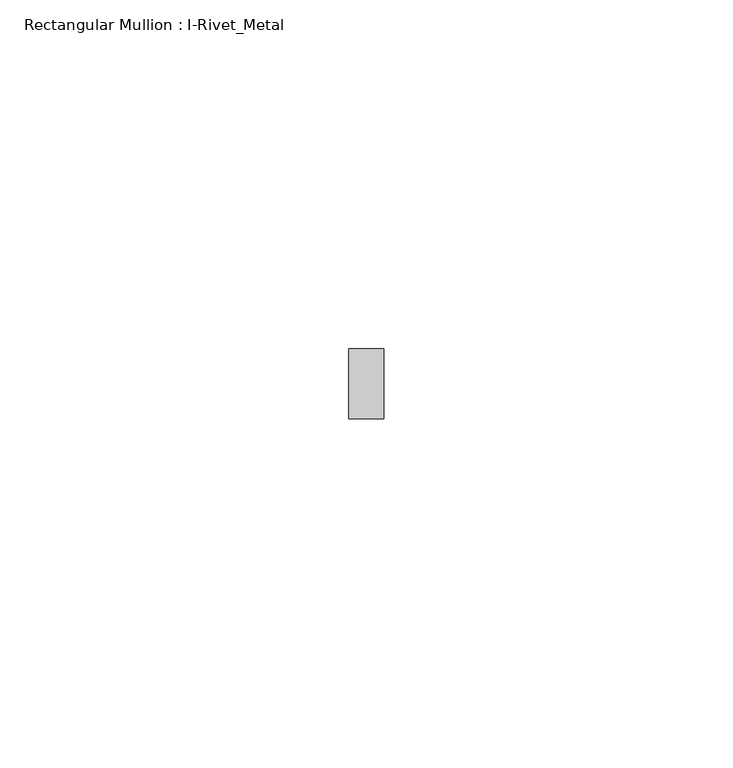
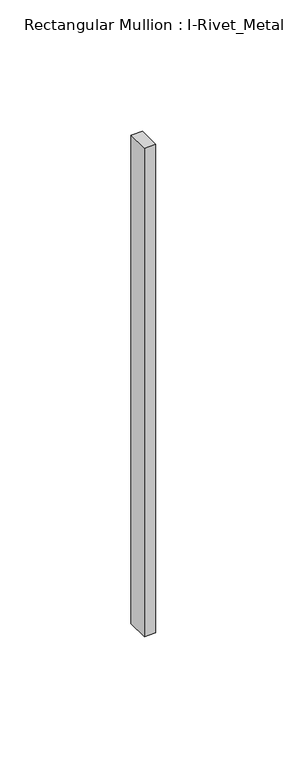
"""IFC4 building model written with IfcOpenShell, lengths in millimetres: member geometry, Rectangular Mullion : I-Rivet_Metal."""

import ifcopenshell
import ifcopenshell.guid

model = None  # the IFC model being written
_history = None  # IfcOwnerHistory: only IFC2X3 demands one
_inside = {}  # id of a spatial element -> (the spatial element, [elements in it])
_under = {}  # id of a project, library or spatial element -> (it, [spatial elements below it])
_declared = {}  # id of a project -> (the project, [libraries it declares])
_typed = {}  # id of a type object -> (the type object, [elements of that type])
_made_of = {}  # id of a material, layer set ... -> (it, [elements and type objects made of it])


def new_model(schema):
    """Start an empty IFC model of exactly this schema.

    Asked for "IFC4X3", IfcOpenShell would pick the latest addendum, in which some entities
    have other attributes; the version numbers below select the first issue.
    IFC2X3 requires an IfcOwnerHistory on every rooted entity: one is made here for all.
    """
    global model, _history
    if schema == "IFC4X3":
        model = ifcopenshell.file(schema_version=(4, 3, 0, 0))
    else:
        model = ifcopenshell.file(schema=schema)
    _inside.clear()
    _under.clear()
    _declared.clear()
    _typed.clear()
    _made_of.clear()
    _history = None
    if model.schema == "IFC2X3":
        org = make("IfcOrganization", Name="unknown")
        user = make(
            "IfcPersonAndOrganization",
            ThePerson=make("IfcPerson", FamilyName="unknown"),
            TheOrganization=org,
        )
        app = make(
            "IfcApplication",
            ApplicationDeveloper=org,
            Version="unknown",
            ApplicationFullName="unknown",
            ApplicationIdentifier="unknown",
        )
        _history = make(
            "IfcOwnerHistory",
            OwningUser=user,
            OwningApplication=app,
            ChangeAction="ADDED",
            CreationDate=0,
        )
    return model


def make(cls, **values):
    """One entity of the class cls with the attributes given. An attribute that is None is left unset."""
    return model.create_entity(
        cls, **{name: value for name, value in values.items() if value is not None}
    )


def rooted(cls, **values):
    """An entity with a GlobalId (a new one), such as an element, a storey or a relation."""
    return make(cls, GlobalId=ifcopenshell.guid.new(), OwnerHistory=_history, **values)


def si_unit(unit_type, name, prefix=None):
    """IfcSIUnit, for example si_unit("LENGTHUNIT", "METRE", prefix="MILLI")."""
    return make("IfcSIUnit", UnitType=unit_type, Prefix=prefix, Name=name)


def assignment(units):
    """IfcUnitAssignment: the units of a project."""
    return None if units is None else make("IfcUnitAssignment", Units=units)


def point(xyz):
    """IfcCartesianPoint."""
    return None if xyz is None else make("IfcCartesianPoint", Coordinates=xyz)


def direction(xyz):
    """IfcDirection."""
    return None if xyz is None else make("IfcDirection", DirectionRatios=xyz)


def frame(location, z_axis=None, x_axis=None):
    """IfcAxis2Placement3D, a coordinate frame: its origin and axes. An axis left out is left unset."""
    return make(
        "IfcAxis2Placement3D",
        Location=point(location),
        Axis=direction(z_axis),
        RefDirection=direction(x_axis),
    )


def origin():
    """The frame at (0, 0, 0) with its axes left unset."""
    return frame((0.0, 0.0, 0.0))


def place(relative_to, where):
    """IfcLocalPlacement: puts the frame where relative to a parent placement (None: the world)."""
    return make(
        "IfcLocalPlacement", PlacementRelTo=relative_to, RelativePlacement=where
    )


def context(
    kind, dimensions, precision=None, world=None, true_north=None, identifier=None
):
    """IfcGeometricRepresentationContext, for example the 3D "Model" context."""
    return make(
        "IfcGeometricRepresentationContext",
        ContextIdentifier=identifier,
        ContextType=kind,
        CoordinateSpaceDimension=dimensions,
        Precision=precision,
        WorldCoordinateSystem=world,
        TrueNorth=true_north,
    )


def project(units=None, contexts=None):
    """IfcProject with its units and contexts."""
    return rooted(
        "IfcProject",
        Name="project",
        RepresentationContexts=contexts,
        UnitsInContext=assignment(units),
    )


def spatial(cls, under=None, at=None, **own):
    """A site, building, storey or space (cls), placed at a placement, below another one or the project."""
    s = rooted(cls, ObjectPlacement=at, **own)
    if under is not None:
        _under.setdefault(under.id(), (under, []))[1].append(s)
    return s


def polyline(points):
    """IfcPolyline through the points."""
    return make("IfcPolyline", Points=[point(p) for p in points])


def outline(outer, holes=None, kind="AREA"):
    """IfcArbitraryClosedProfileDef: a profile drawn as a closed curve; with holes, ...WithVoids."""
    if holes is None:
        return make("IfcArbitraryClosedProfileDef", ProfileType=kind, OuterCurve=outer)
    return make(
        "IfcArbitraryProfileDefWithVoids",
        ProfileType=kind,
        OuterCurve=outer,
        InnerCurves=holes,
    )


def extrude(swept, where, along, depth):
    """IfcExtrudedAreaSolid: the profile swept, set in the frame where, extruded along a direction by depth."""
    return make(
        "IfcExtrudedAreaSolid",
        SweptArea=swept,
        Position=where,
        ExtrudedDirection=direction(along),
        Depth=depth,
    )


def shape(context_of_items, identifier, shape_type, items):
    """IfcShapeRepresentation: the items that make up one representation, for example the "Body"."""
    return make(
        "IfcShapeRepresentation",
        ContextOfItems=context_of_items,
        RepresentationIdentifier=identifier,
        RepresentationType=shape_type,
        Items=items,
    )


def source(mapping_origin, context_of_items, identifier, shape_type, items):
    """IfcRepresentationMap: a shape defined once, which mapped items show again and again."""
    return make(
        "IfcRepresentationMap",
        MappingOrigin=mapping_origin,
        MappedRepresentation=shape(context_of_items, identifier, shape_type, items),
    )


def transform(
    local_origin,
    x_axis=None,
    y_axis=None,
    z_axis=None,
    scale=None,
    scale2=None,
    scale3=None,
    uniform=True,
):
    """IfcCartesianTransformationOperator3D, or its non-uniform kind. x_axis, y_axis, z_axis: its Axis1, 2, 3."""
    if uniform:
        return make(
            "IfcCartesianTransformationOperator3D",
            Axis1=direction(x_axis),
            Axis2=direction(y_axis),
            LocalOrigin=point(local_origin),
            Scale=scale,
            Axis3=direction(z_axis),
        )
    return make(
        "IfcCartesianTransformationOperator3DnonUniform",
        Axis1=direction(x_axis),
        Axis2=direction(y_axis),
        LocalOrigin=point(local_origin),
        Scale=scale,
        Axis3=direction(z_axis),
        Scale2=scale2,
        Scale3=scale3,
    )


def mapped(mapping_source, mapping_target):
    """IfcMappedItem: shows the shape of a source again, moved by a transform."""
    return make(
        "IfcMappedItem", MappingSource=mapping_source, MappingTarget=mapping_target
    )


def made_of(thing, what):
    """Note that an element or type object is made of a material, layer set ...; save() writes the relation."""
    if what is not None:
        _made_of.setdefault(what.id(), (what, []))[1].append(thing)
    return thing


def element(
    cls,
    number,
    at=None,
    inside=None,
    cuts=None,
    type_object=None,
    material=None,
    context=None,
    identifier="Body",
    shape_type=None,
    held_by="IfcProductDefinitionShape",
    body=None,
    shapes=None,
    **own,
):
    """One element of the class cls, such as IfcWall. Its Tag is "e" and its number.

    at: its placement. inside: the storey or other place that contains it. cuts: it is an
    opening in that element (IfcRelVoidsElement). A single representation is given by context,
    identifier, shape_type and body (its items); several are given by shapes. held_by: the class
    of the entity that holds the representations. save() writes the other relations.
    """
    e = rooted(cls, Tag="e%d" % number, ObjectPlacement=at, **own)
    if body is not None:
        shapes = [shape(context, identifier, shape_type, body)]
    if shapes is not None:
        e.Representation = make(held_by, Representations=shapes)
    if inside is not None:
        _inside.setdefault(inside.id(), (inside, []))[1].append(e)
    if cuts is not None:
        rooted(
            "IfcRelVoidsElement", RelatingBuildingElement=cuts, RelatedOpeningElement=e
        )
    if type_object is not None:
        _typed.setdefault(type_object.id(), (type_object, []))[1].append(e)
    return made_of(e, material)


def aggregate(whole, parts):
    """IfcRelAggregates: a whole, such as a stair, and the parts it consists of."""
    return rooted("IfcRelAggregates", RelatingObject=whole, RelatedObjects=parts)


def save(model, path):
    """Write the relations noted so far, then the file.

    IfcRelAggregates (storeys below a building ...), IfcRelContainedInSpatialStructure (elements
    in a storey), IfcRelDefinesByType, IfcRelAssociatesMaterial and IfcRelDeclares: one each for
    every whole, place, type object, material and project.
    """
    for whole, parts in _under.values():
        aggregate(whole, parts)
    for where, things in _inside.values():
        rooted(
            "IfcRelContainedInSpatialStructure",
            RelatedElements=things,
            RelatingStructure=where,
        )
    for kind, things in _typed.values():
        rooted("IfcRelDefinesByType", RelatedObjects=things, RelatingType=kind)
    for what, things in _made_of.values():
        rooted("IfcRelAssociatesMaterial", RelatedObjects=things, RelatingMaterial=what)
    for by, libraries in _declared.values():
        rooted("IfcRelDeclares", RelatingContext=by, RelatedDefinitions=libraries)
    model.write(path)


def rectangular_mullion_i_rivet_metal_8dd7ac4f(model_context):
    return source(origin(), model_context, "Body", "SweptSolid", [
        extrude(outline(polyline([(2.5, 70.0), (-2.5, 70.0), (-2.5, 80.0), (2.5, 80.0), (2.5, 70.0)])), frame((0.0, 0.0, -226.9257208), z_axis=(0.0, 0.0, 1.0), x_axis=(1.0, 0.0, 0.0)), (0.0, 0.0, 1.0), 226.9257208),
    ])


if __name__ == "__main__":
    model = new_model("IFC4")
    model_context = context("Model", 3, world=origin())
    ifc_project = project(units=[si_unit("LENGTHUNIT", "METRE", prefix="MILLI")], contexts=[model_context])
    site = spatial("IfcSite", under=ifc_project)
    building = spatial("IfcBuilding", under=site)
    placement = place(None, origin())
    rectangular_mullion_i_rivet_metal_shape = rectangular_mullion_i_rivet_metal_8dd7ac4f(model_context)
    element("IfcMember", 1, ObjectType="Rectangular Mullion : I-Rivet_Metal", at=placement, inside=building, context=model_context, shape_type="MappedRepresentation", body=[
        mapped(rectangular_mullion_i_rivet_metal_shape, transform((0.0, 0.0, 0.0), x_axis=(1.0, 0.0, 0.0), y_axis=(0.0, 1.0, 0.0), z_axis=(0.0, 0.0, 1.0))),
    ])
    save(model, "model.ifc")
